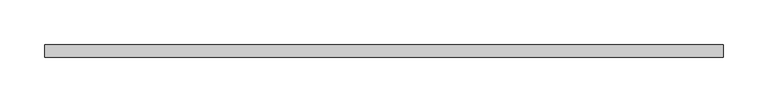
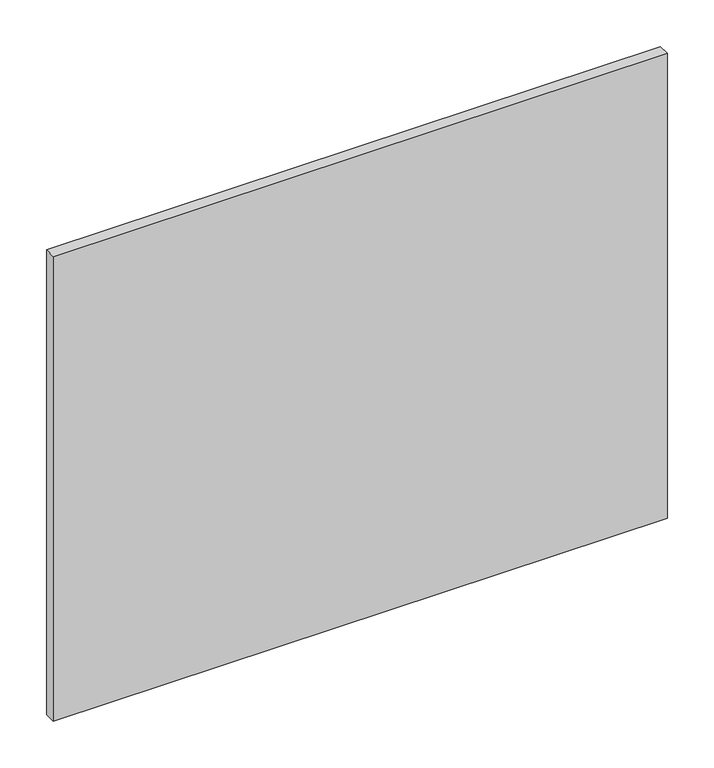
"""IFC4 building model written with IfcOpenShell, lengths in millimetres: furniture geometry."""

import ifcopenshell
import ifcopenshell.guid

model = None  # the IFC model being written
_history = None  # IfcOwnerHistory: only IFC2X3 demands one
_inside = {}  # id of a spatial element -> (the spatial element, [elements in it])
_under = {}  # id of a project, library or spatial element -> (it, [spatial elements below it])
_declared = {}  # id of a project -> (the project, [libraries it declares])
_typed = {}  # id of a type object -> (the type object, [elements of that type])
_made_of = {}  # id of a material, layer set ... -> (it, [elements and type objects made of it])


def new_model(schema):
    """Start an empty IFC model of exactly this schema.

    Asked for "IFC4X3", IfcOpenShell would pick the latest addendum, in which some entities
    have other attributes; the version numbers below select the first issue.
    IFC2X3 requires an IfcOwnerHistory on every rooted entity: one is made here for all.
    """
    global model, _history
    if schema == "IFC4X3":
        model = ifcopenshell.file(schema_version=(4, 3, 0, 0))
    else:
        model = ifcopenshell.file(schema=schema)
    _inside.clear()
    _under.clear()
    _declared.clear()
    _typed.clear()
    _made_of.clear()
    _history = None
    if model.schema == "IFC2X3":
        org = make("IfcOrganization", Name="unknown")
        user = make(
            "IfcPersonAndOrganization",
            ThePerson=make("IfcPerson", FamilyName="unknown"),
            TheOrganization=org,
        )
        app = make(
            "IfcApplication",
            ApplicationDeveloper=org,
            Version="unknown",
            ApplicationFullName="unknown",
            ApplicationIdentifier="unknown",
        )
        _history = make(
            "IfcOwnerHistory",
            OwningUser=user,
            OwningApplication=app,
            ChangeAction="ADDED",
            CreationDate=0,
        )
    return model


def make(cls, **values):
    """One entity of the class cls with the attributes given. An attribute that is None is left unset."""
    return model.create_entity(
        cls, **{name: value for name, value in values.items() if value is not None}
    )


def rooted(cls, **values):
    """An entity with a GlobalId (a new one), such as an element, a storey or a relation."""
    return make(cls, GlobalId=ifcopenshell.guid.new(), OwnerHistory=_history, **values)


def si_unit(unit_type, name, prefix=None):
    """IfcSIUnit, for example si_unit("LENGTHUNIT", "METRE", prefix="MILLI")."""
    return make("IfcSIUnit", UnitType=unit_type, Prefix=prefix, Name=name)


def assignment(units):
    """IfcUnitAssignment: the units of a project."""
    return None if units is None else make("IfcUnitAssignment", Units=units)


def point(xyz):
    """IfcCartesianPoint."""
    return None if xyz is None else make("IfcCartesianPoint", Coordinates=xyz)


def direction(xyz):
    """IfcDirection."""
    return None if xyz is None else make("IfcDirection", DirectionRatios=xyz)


def frame(location, z_axis=None, x_axis=None):
    """IfcAxis2Placement3D, a coordinate frame: its origin and axes. An axis left out is left unset."""
    return make(
        "IfcAxis2Placement3D",
        Location=point(location),
        Axis=direction(z_axis),
        RefDirection=direction(x_axis),
    )


def origin():
    """The frame at (0, 0, 0) with its axes left unset."""
    return frame((0.0, 0.0, 0.0))


def place(relative_to, where):
    """IfcLocalPlacement: puts the frame where relative to a parent placement (None: the world)."""
    return make(
        "IfcLocalPlacement", PlacementRelTo=relative_to, RelativePlacement=where
    )


def context(
    kind, dimensions, precision=None, world=None, true_north=None, identifier=None
):
    """IfcGeometricRepresentationContext, for example the 3D "Model" context."""
    return make(
        "IfcGeometricRepresentationContext",
        ContextIdentifier=identifier,
        ContextType=kind,
        CoordinateSpaceDimension=dimensions,
        Precision=precision,
        WorldCoordinateSystem=world,
        TrueNorth=true_north,
    )


def project(units=None, contexts=None):
    """IfcProject with its units and contexts."""
    return rooted(
        "IfcProject",
        Name="project",
        RepresentationContexts=contexts,
        UnitsInContext=assignment(units),
    )


def spatial(cls, under=None, at=None, **own):
    """A site, building, storey or space (cls), placed at a placement, below another one or the project."""
    s = rooted(cls, ObjectPlacement=at, **own)
    if under is not None:
        _under.setdefault(under.id(), (under, []))[1].append(s)
    return s


def polyline(points):
    """IfcPolyline through the points."""
    return make("IfcPolyline", Points=[point(p) for p in points])


def outline(outer, holes=None, kind="AREA"):
    """IfcArbitraryClosedProfileDef: a profile drawn as a closed curve; with holes, ...WithVoids."""
    if holes is None:
        return make("IfcArbitraryClosedProfileDef", ProfileType=kind, OuterCurve=outer)
    return make(
        "IfcArbitraryProfileDefWithVoids",
        ProfileType=kind,
        OuterCurve=outer,
        InnerCurves=holes,
    )


def extrude(swept, where, along, depth):
    """IfcExtrudedAreaSolid: the profile swept, set in the frame where, extruded along a direction by depth."""
    return make(
        "IfcExtrudedAreaSolid",
        SweptArea=swept,
        Position=where,
        ExtrudedDirection=direction(along),
        Depth=depth,
    )


def shape(context_of_items, identifier, shape_type, items):
    """IfcShapeRepresentation: the items that make up one representation, for example the "Body"."""
    return make(
        "IfcShapeRepresentation",
        ContextOfItems=context_of_items,
        RepresentationIdentifier=identifier,
        RepresentationType=shape_type,
        Items=items,
    )


def source(mapping_origin, context_of_items, identifier, shape_type, items):
    """IfcRepresentationMap: a shape defined once, which mapped items show again and again."""
    return make(
        "IfcRepresentationMap",
        MappingOrigin=mapping_origin,
        MappedRepresentation=shape(context_of_items, identifier, shape_type, items),
    )


def transform(
    local_origin,
    x_axis=None,
    y_axis=None,
    z_axis=None,
    scale=None,
    scale2=None,
    scale3=None,
    uniform=True,
):
    """IfcCartesianTransformationOperator3D, or its non-uniform kind. x_axis, y_axis, z_axis: its Axis1, 2, 3."""
    if uniform:
        return make(
            "IfcCartesianTransformationOperator3D",
            Axis1=direction(x_axis),
            Axis2=direction(y_axis),
            LocalOrigin=point(local_origin),
            Scale=scale,
            Axis3=direction(z_axis),
        )
    return make(
        "IfcCartesianTransformationOperator3DnonUniform",
        Axis1=direction(x_axis),
        Axis2=direction(y_axis),
        LocalOrigin=point(local_origin),
        Scale=scale,
        Axis3=direction(z_axis),
        Scale2=scale2,
        Scale3=scale3,
    )


def mapped(mapping_source, mapping_target):
    """IfcMappedItem: shows the shape of a source again, moved by a transform."""
    return make(
        "IfcMappedItem", MappingSource=mapping_source, MappingTarget=mapping_target
    )


def made_of(thing, what):
    """Note that an element or type object is made of a material, layer set ...; save() writes the relation."""
    if what is not None:
        _made_of.setdefault(what.id(), (what, []))[1].append(thing)
    return thing


def element(
    cls,
    number,
    at=None,
    inside=None,
    cuts=None,
    type_object=None,
    material=None,
    context=None,
    identifier="Body",
    shape_type=None,
    held_by="IfcProductDefinitionShape",
    body=None,
    shapes=None,
    **own,
):
    """One element of the class cls, such as IfcWall. Its Tag is "e" and its number.

    at: its placement. inside: the storey or other place that contains it. cuts: it is an
    opening in that element (IfcRelVoidsElement). A single representation is given by context,
    identifier, shape_type and body (its items); several are given by shapes. held_by: the class
    of the entity that holds the representations. save() writes the other relations.
    """
    e = rooted(cls, Tag="e%d" % number, ObjectPlacement=at, **own)
    if body is not None:
        shapes = [shape(context, identifier, shape_type, body)]
    if shapes is not None:
        e.Representation = make(held_by, Representations=shapes)
    if inside is not None:
        _inside.setdefault(inside.id(), (inside, []))[1].append(e)
    if cuts is not None:
        rooted(
            "IfcRelVoidsElement", RelatingBuildingElement=cuts, RelatedOpeningElement=e
        )
    if type_object is not None:
        _typed.setdefault(type_object.id(), (type_object, []))[1].append(e)
    return made_of(e, material)


def aggregate(whole, parts):
    """IfcRelAggregates: a whole, such as a stair, and the parts it consists of."""
    return rooted("IfcRelAggregates", RelatingObject=whole, RelatedObjects=parts)


def save(model, path):
    """Write the relations noted so far, then the file.

    IfcRelAggregates (storeys below a building ...), IfcRelContainedInSpatialStructure (elements
    in a storey), IfcRelDefinesByType, IfcRelAssociatesMaterial and IfcRelDeclares: one each for
    every whole, place, type object, material and project.
    """
    for whole, parts in _under.values():
        aggregate(whole, parts)
    for where, things in _inside.values():
        rooted(
            "IfcRelContainedInSpatialStructure",
            RelatedElements=things,
            RelatingStructure=where,
        )
    for kind, things in _typed.values():
        rooted("IfcRelDefinesByType", RelatedObjects=things, RelatingType=kind)
    for what, things in _made_of.values():
        rooted("IfcRelAssociatesMaterial", RelatedObjects=things, RelatingMaterial=what)
    for by, libraries in _declared.values():
        rooted("IfcRelDeclares", RelatingContext=by, RelatedDefinitions=libraries)
    model.write(path)


def furniture_3dd20212(model_context):
    return source(origin(), model_context, "Body", "SweptSolid", [
        extrude(outline(polyline([(381.0, -34.1082318), (381.0, -48.296513), (-381.0, -48.296513), (-381.0, -34.1082318), (381.0, -34.1082318)])), frame((0.0, 0.0, 725.678), z_axis=(0.0, 0.0, 1.0), x_axis=(1.0, 0.0, 0.0)), (0.0, 0.0, 1.0), 609.6),
    ])


if __name__ == "__main__":
    model = new_model("IFC4")
    model_context = context("Model", 3, world=origin())
    ifc_project = project(units=[si_unit("LENGTHUNIT", "METRE", prefix="MILLI")], contexts=[model_context])
    site = spatial("IfcSite", under=ifc_project)
    building = spatial("IfcBuilding", under=site)
    placement = place(None, origin())
    furniture_shape = furniture_3dd20212(model_context)
    element("IfcFurniture", 1, at=placement, inside=building, context=model_context, shape_type="MappedRepresentation", body=[
        mapped(furniture_shape, transform((0.0, 0.0, 0.0), x_axis=(1.0, 0.0, 0.0), y_axis=(0.0, 1.0, 0.0), z_axis=(0.0, 0.0, 1.0))),
    ])
    save(model, "model.ifc")
